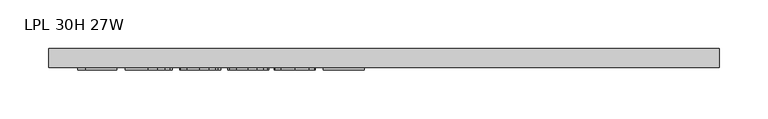
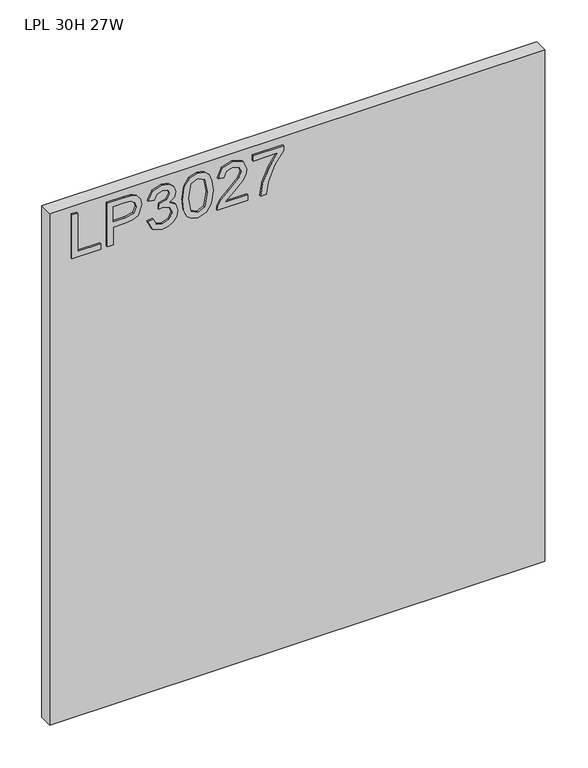
"""IFC4 building model written with IfcOpenShell, lengths in millimetres: furniture geometry, LPL 30H 27W."""

from ifc_helpers import new_model, si_unit, frame, origin, place, context, project, spatial, polyline, outline, extrude, source, transform, mapped, element, save


def lpl_30h_27w_47517b34(model_context):
    return source(origin(), model_context, "Body", "SweptSolid", [
        extrude(outline(polyline([(1690.6772502, 29.4553512), (1690.6772502, 69.3239493), (1698.6509698, 69.3239493), (1698.6509698, 37.4290708), (1754.4670071, 37.4290708), (1754.4670071, 29.4553512), (1690.6772502, 29.4553512)])), frame((0.0, -21.68525, 0.0), z_axis=(0.0, 1.0, 0.0), x_axis=(0.0, 0.0, 1.0)), (0.0, 0.0, 1.0), 2.38125),
        extrude(outline(polyline([(1690.6772502, 78.2943838), (1690.6772502, 86.2681034), (1716.591839, 86.2681034), (1716.591839, 102.4802951), (1718.0012562, 113.8081941), (1722.2295079, 121.0051769), (1736.0122069, 126.1367015), (1744.7101022, 124.2367137), (1750.8772759, 119.2142047), (1753.859634, 111.4663033), (1754.4670071, 101.9352166), (1754.4670071, 78.2943838), (1690.6772502, 78.2943838)]), holes=[polyline([(1724.5655586, 86.2681034), (1746.4932875, 86.2681034), (1746.4932875, 102.7606212), (1745.948209, 110.7343408), (1742.3351173, 116.1150442), (1735.7318808, 118.1629819), (1727.4934087, 114.6900533), (1724.5655586, 102.9475052), (1724.5655586, 86.2681034)])]), frame((0.0, -21.68525, 0.0), z_axis=(0.0, 1.0, 0.0), x_axis=(0.0, 0.0, 1.0)), (0.0, 0.0, 1.0), 2.38125),
        extrude(outline(polyline([(1707.6214044, 134.1104212), (1694.6796837, 140.4489053), (1689.6805352, 154.434062), (1691.1444603, 162.9567535), (1695.5362356, 169.8675701), (1702.0304565, 174.4462294), (1709.8017183, 175.9724491), (1720.1737833, 172.9200096), (1725.6245682, 164.2299011), (1730.9040427, 170.770843), (1738.2548155, 172.9823043), (1746.2986166, 170.6540405), (1752.2789063, 163.9262145), (1754.4670071, 154.3094726), (1750.0285109, 141.6325043), (1737.522853, 135.1071361), (1736.526138, 143.0808557), (1744.0015001, 146.9898472), (1746.4932875, 154.5897987), (1744.0248607, 162.0963082), (1737.7876054, 165.0085847), (1730.748306, 160.9905775), (1728.5524184, 150.6652336), (1720.5786988, 149.7775343), (1721.4508243, 155.3684822), (1718.1881402, 164.4323588), (1709.9418814, 167.9987295), (1701.1894782, 164.4012115), (1697.6542549, 154.7143881), (1700.2239106, 146.4837029), (1708.6181193, 142.0841408), (1707.6214044, 134.1104212)])), frame((0.0, -21.68525, 0.0), z_axis=(0.0, 1.0, 0.0), x_axis=(0.0, 0.0, 1.0)), (0.0, 0.0, 1.0), 2.38125),
        extrude(outline(polyline([(1722.0581975, 182.9494538), (1706.5429277, 184.5379683), (1695.754267, 189.3035116), (1691.1989682, 195.5952748), (1689.6805352, 203.8804678), (1693.1768244, 215.5529343), (1703.7824945, 222.4910048), (1722.0581975, 224.8114818), (1737.047856, 223.3631304), (1746.4855007, 219.6254493), (1752.4112826, 213.1935231), (1754.4670071, 203.8804678), (1750.9940785, 192.2547223), (1740.4117689, 185.2932913), (1722.0581975, 182.9494538)]), holes=[polyline([(1722.0737712, 190.9231734), (1742.2261016, 194.7854439), (1746.4932875, 203.7870258), (1741.6498758, 213.2246705), (1722.0737712, 216.8377622), (1702.287422, 213.1000811), (1697.6542549, 203.8804678), (1702.2718484, 194.6608545), (1722.0737712, 190.9231734)])]), frame((0.0, -21.68525, 0.0), z_axis=(0.0, 1.0, 0.0), x_axis=(0.0, 0.0, 1.0)), (0.0, 0.0, 1.0), 2.38125),
        extrude(outline(polyline([(1698.6509698, 272.6537995), (1698.6509698, 241.3351469), (1702.7079111, 244.9326649), (1710.3779442, 254.1055572), (1721.3028745, 265.528845), (1729.1208574, 270.2398805), (1736.6818747, 271.6570846), (1749.358843, 266.4009706), (1754.4670071, 252.127701), (1749.8727742, 237.9011524), (1736.526138, 231.7884865), (1735.5294231, 239.7622061), (1743.581011, 243.1183322), (1746.4932875, 251.9563906), (1743.5109295, 260.4362545), (1736.1990909, 263.6833649), (1727.1663617, 260.2415836), (1713.8820202, 246.4744583), (1704.6390464, 236.4917352), (1696.1747561, 231.6483234), (1690.6772502, 230.7917715), (1690.6772502, 272.6537995), (1698.6509698, 272.6537995)])), frame((0.0, -21.68525, 0.0), z_axis=(0.0, 1.0, 0.0), x_axis=(0.0, 0.0, 1.0)), (0.0, 0.0, 1.0), 2.38125),
        extrude(outline(polyline([(1745.4965726, 280.6275191), (1745.4965726, 314.5158275), (1728.996268, 302.4618061), (1708.6648404, 293.7639107), (1690.6772502, 290.5946687), (1690.6772502, 298.5683883), (1708.0107462, 301.5273858), (1729.8683936, 310.6146229), (1747.0227923, 322.4895471), (1753.4702922, 322.4895471), (1753.4702922, 280.6275191), (1745.4965726, 280.6275191)])), frame((0.0, -21.68525, 0.0), z_axis=(0.0, 1.0, 0.0), x_axis=(0.0, 0.0, 1.0)), (0.0, 0.0, 1.0), 2.38125),
        extrude(outline(polyline([(685.8, 0.0), (685.8, -19.304), (0.0, -19.304), (0.0, 0.0), (685.8, 0.0)])), frame((0.0, 0.0, 1016.0), z_axis=(0.0, 0.0, 1.0), x_axis=(1.0, 0.0, 0.0)), (0.0, 0.0, 1.0), 749.3),
    ])


if __name__ == "__main__":
    model = new_model("IFC4")
    model_context = context("Model", 3, world=origin())
    ifc_project = project(units=[si_unit("LENGTHUNIT", "METRE", prefix="MILLI")], contexts=[model_context])
    site = spatial("IfcSite", under=ifc_project)
    building = spatial("IfcBuilding", under=site)
    placement = place(None, origin())
    lpl_30h_27w_shape = lpl_30h_27w_47517b34(model_context)
    element("IfcFurniture", 1, ObjectType="LPL 30H 27W", at=placement, inside=building, context=model_context, shape_type="MappedRepresentation", body=[
        mapped(lpl_30h_27w_shape, transform((0.0, 0.0, 0.0), x_axis=(1.0, 0.0, 0.0), y_axis=(0.0, 1.0, 0.0), z_axis=(0.0, 0.0, 1.0))),
    ])
    save(model, "model.ifc")
